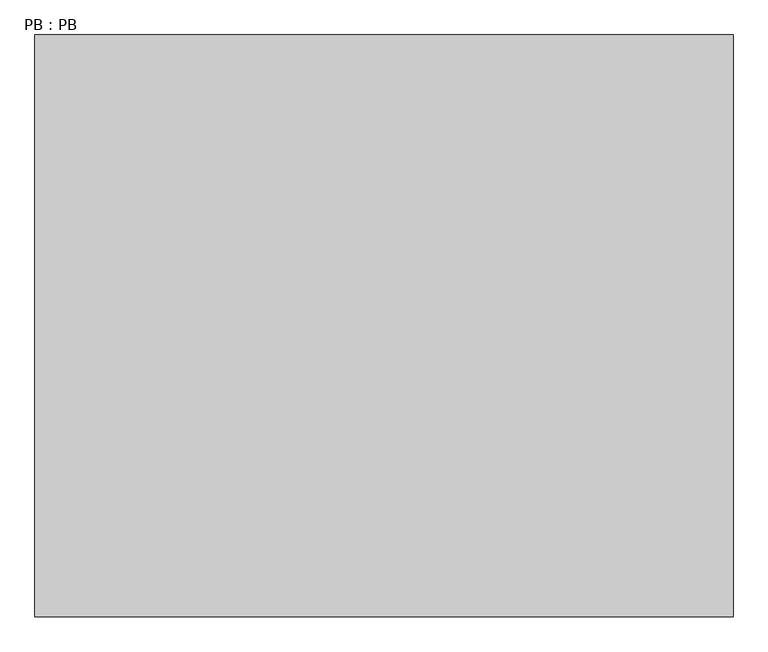
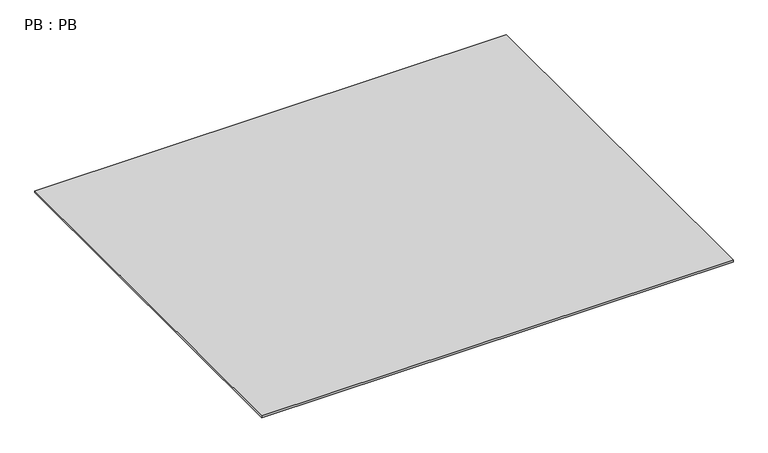
"""IFC4 building model written with IfcOpenShell, lengths in millimetres: proxy geometry, PB : PB."""

from ifc_helpers import new_model, si_unit, origin, origin_with_axes, place, context, project, spatial, polyline, outline, extrude, source, transform, mapped, element, save


def pb_pb_5ee6ba07(model_context):
    return source(origin(), model_context, "Body", "SweptSolid", [
        extrude(outline(polyline([(3000.0, 0.0), (3000.0, -2500.0), (0.0, -2500.0), (0.0, 0.0), (3000.0, 0.0)])), origin_with_axes(), (0.0, 0.0, 1.0), 12.5),
    ])


if __name__ == "__main__":
    model = new_model("IFC4")
    model_context = context("Model", 3, world=origin())
    ifc_project = project(units=[si_unit("LENGTHUNIT", "METRE", prefix="MILLI")], contexts=[model_context])
    site = spatial("IfcSite", under=ifc_project)
    building = spatial("IfcBuilding", under=site)
    placement = place(None, origin())
    pb_pb_shape = pb_pb_5ee6ba07(model_context)
    element("IfcBuildingElementProxy", 1, Name="PB : PB", ObjectType="PB : PB", at=placement, inside=building, context=model_context, shape_type="MappedRepresentation", body=[
        mapped(pb_pb_shape, transform((0.0, 0.0, 0.0), x_axis=(1.0, 0.0, 0.0), y_axis=(0.0, 1.0, 0.0), z_axis=(0.0, 0.0, 1.0))),
    ])
    save(model, "model.ifc")
